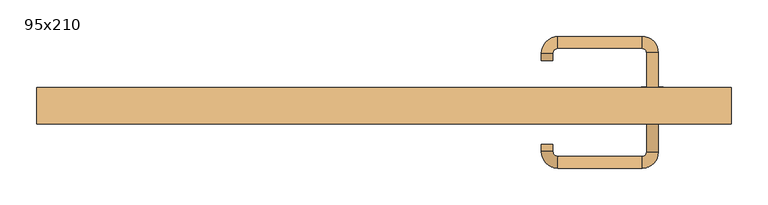
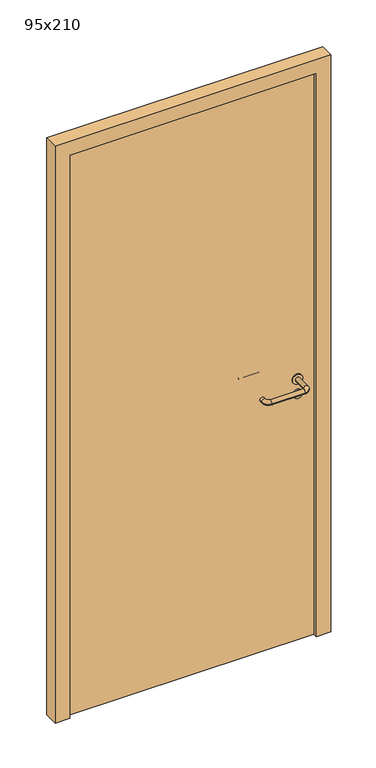
"""IFC4 building model written with IfcOpenShell, lengths in millimetres: door geometry, 95x210."""

from ifc_helpers import new_model, si_unit, point, frame, frame_2d, origin, origin_with_axes, place, context, project, spatial, polyline, circle_curve, ellipse_curve, trimmed, segment, composite_curve, outline, extrude, source, transform, mapped, element, save
from ifc_brep_helpers import plane_surface, cylinder_surface, revolved_surface, advanced_brep


def door_95x210_56ad0eff(model_context):
    return source(origin(), model_context, "Body", "SolidModel", [
        extrude(outline(composite_curve([segment(trimmed(circle_curve(frame_2d((897.3605726, 367.0)), 15.0), [point((897.3605726, 382.0))], [point((897.3605726, 352.0))], False, "CARTESIAN"), True, "CONTINUOUS"), segment(trimmed(circle_curve(frame_2d((897.3605726, 367.0)), 15.0), [point((897.3605726, 352.0))], [point((897.3605726, 382.0))], False, "CARTESIAN"), True, "CONTINUOUS")], self_intersect=False), holes=[composite_curve([segment(trimmed(circle_curve(frame_2d((892.5833211, 366.9398032)), 2.0), [point((892.5833211, 368.9398032))], [point((892.5833211, 364.9398032))], True, "CARTESIAN"), True, "CONTINUOUS"), segment(polyline([(892.5833211, 364.9398032), (902.5833211, 364.9398032)]), True, "CONTINUOUS"), segment(trimmed(circle_curve(frame_2d((902.5833211, 366.9398032)), 2.0), [point((902.5833211, 364.9398032))], [point((902.5833211, 368.9398032))], True, "CARTESIAN"), True, "CONTINUOUS"), segment(polyline([(902.5833211, 368.9398032), (892.5833211, 368.9398032)]), True, "CONTINUOUS")], self_intersect=False)]), frame((0.0, 33.65, 0.0), z_axis=(0.0, 1.0, 0.0), x_axis=(0.0, 0.0, 1.0)), (0.0, 0.0, 1.0), 6.35),
        extrude(outline(composite_curve([segment(trimmed(circle_curve(frame_2d((950.0, 367.0)), 17.526), [point((950.0, 384.526))], [point((950.0, 349.474))], False, "CARTESIAN"), True, "CONTINUOUS"), segment(trimmed(circle_curve(frame_2d((950.0, 367.0)), 17.526), [point((950.0, 349.474))], [point((950.0, 384.526))], False, "CARTESIAN"), True, "CONTINUOUS")], self_intersect=False)), frame((0.0, 36.825, 0.0), z_axis=(0.0, 1.0, 0.0), x_axis=(0.0, 0.0, 1.0)), (0.0, 0.0, 1.0), 3.175),
        advanced_brep(
        [(375.0, 40.0, 950.0), (359.0, 40.0, 950.0), (359.0, -13.0, 950.0), (375.0, -13.0, 950.0), (352.8578644, -19.1421356, 950.0), (352.8578644, -35.1421356, 950.0), (237.8578644, -19.1421356, 950.0), (237.8578644, -35.1421356, 950.0), (231.008622, -12.2928932, 950.0), (215.008622, -12.2928932, 950.0), (215.008622, -2.2928932, 950.0), (231.008622, -2.2928932, 950.0)],
        [
            (0, 1, circle_curve(frame((367.0, 40.0, 950.0), z_axis=(0.0, 1.0, 0.0), x_axis=(-1.0, 0.0, 0.0)), 8.0)),
            (1, 0, circle_curve(frame((367.0, 40.0, 950.0), z_axis=(0.0, 1.0, 0.0), x_axis=(-1.0, 0.0, 0.0)), 8.0)),
            (1, 2),
            (2, 3, circle_curve(frame((367.0, -13.0, 950.0), z_axis=(0.0, 1.0, 0.0), x_axis=(-1.0, 0.0, 0.0)), 8.0)),
            (3, 0),
            (3, 2, circle_curve(frame((367.0, -13.0, 950.0), z_axis=(0.0, 1.0, 0.0), x_axis=(-1.0, 0.0, 0.0)), 8.0)),
            (4, 5, circle_curve(frame((352.8578644, -27.1421356, 950.0), z_axis=(1.0, 0.0, 0.0), x_axis=(0.0, 1.0, 0.0)), 8.0)),
            (5, 3, circle_curve(frame((352.8578644, -13.0, 950.0), z_axis=(0.0, 0.0, 1.0), x_axis=(1.0, 0.0, 0.0)), 22.1421356)),
            (2, 4, circle_curve(frame((352.8578644, -13.0, 950.0), z_axis=(0.0, 0.0, -1.0), x_axis=(1.0, 0.0, 0.0)), 6.1421356)),
            (5, 4, circle_curve(frame((352.8578644, -27.1421356, 950.0), z_axis=(1.0, 0.0, 0.0), x_axis=(0.0, 1.0, 0.0)), 8.0)),
            (4, 6),
            (6, 7, circle_curve(frame((237.8578644, -27.1421356, 950.0), z_axis=(1.0, 0.0, 0.0), x_axis=(0.0, 1.0, 0.0)), 8.0)),
            (7, 5),
            (7, 6, circle_curve(frame((237.8578644, -27.1421356, 950.0), z_axis=(1.0, 0.0, 0.0), x_axis=(0.0, 1.0, 0.0)), 8.0)),
            (8, 9, circle_curve(frame((223.008622, -12.2928932, 950.0), z_axis=(0.0, -1.0, 0.0), x_axis=(1.0, 0.0, 0.0)), 8.0)),
            (9, 7, circle_curve(frame((237.8578644, -12.2928932, 950.0), z_axis=(0.0, 0.0, 1.0), x_axis=(0.0, -1.0, 0.0)), 22.8492424)),
            (6, 8, circle_curve(frame((237.8578644, -12.2928932, 950.0), z_axis=(0.0, 0.0, -1.0), x_axis=(0.0, -1.0, 0.0)), 6.8492424)),
            (9, 8, circle_curve(frame((223.008622, -12.2928932, 950.0), z_axis=(0.0, -1.0, 0.0), x_axis=(1.0, 0.0, 0.0)), 8.0)),
            (10, 11, circle_curve(frame((223.008622, -2.2928932, 950.0), z_axis=(0.0, 1.0, 0.0), x_axis=(1.0, 0.0, 0.0)), 8.0)),
            (11, 10, circle_curve(frame((223.008622, -2.2928932, 950.0), z_axis=(0.0, 1.0, 0.0), x_axis=(1.0, 0.0, 0.0)), 8.0)),
            (8, 11),
            (10, 9),
        ],
        [
            plane_surface(frame((367.0, 40.0, 170.0), z_axis=(0.0, 1.0, 0.0), x_axis=(0.0, 0.0, 1.0))),
            cylinder_surface(frame((367.0, 40.0, 950.0), z_axis=(0.0, 1.0, 0.0), x_axis=(-1.0, 0.0, 0.0)), 8.0),
            revolved_surface(trimmed(ellipse_curve(frame((367.0, -13.0, 950.0), z_axis=(0.0, -1.0, 0.0), x_axis=(-1.0, 0.0, 0.0)), 8.0, 8.0), [point((375.0, -13.0, 950.0))], [point((359.0, -13.0, 950.0))], True, "CARTESIAN"), (352.8578644, -13.0, 170.0), (0.0, 0.0, 1.0)),
            revolved_surface(trimmed(ellipse_curve(frame((367.0, -13.0, 950.0), z_axis=(0.0, -1.0, 0.0), x_axis=(-1.0, 0.0, 0.0)), 8.0, 8.0), [point((359.0, -13.0, 950.0))], [point((375.0, -13.0, 950.0))], True, "CARTESIAN"), (352.8578644, -13.0, 170.0), (0.0, 0.0, 1.0)),
            cylinder_surface(frame((352.8578644, -27.1421356, 950.0), z_axis=(1.0, 0.0, 0.0), x_axis=(0.0, 1.0, 0.0)), 8.0),
            revolved_surface(trimmed(ellipse_curve(frame((237.8578644, -27.1421356, 950.0), z_axis=(-1.0, 0.0, 0.0), x_axis=(0.0, 1.0, 0.0)), 8.0, 8.0), [point((237.8578644, -35.1421356, 950.0))], [point((237.8578644, -19.1421356, 950.0))], True, "CARTESIAN"), (237.8578644, -12.2928932, 170.0), (0.0, 0.0, 1.0)),
            revolved_surface(trimmed(ellipse_curve(frame((237.8578644, -27.1421356, 950.0), z_axis=(-1.0, 0.0, 0.0), x_axis=(0.0, 1.0, 0.0)), 8.0, 8.0), [point((237.8578644, -19.1421356, 950.0))], [point((237.8578644, -35.1421356, 950.0))], True, "CARTESIAN"), (237.8578644, -12.2928932, 170.0), (0.0, 0.0, 1.0)),
            plane_surface(frame((223.008622, -2.2928932, 170.0), z_axis=(0.0, 1.0, 0.0), x_axis=(0.0, 0.0, 1.0))),
            cylinder_surface(frame((223.008622, -12.2928932, 950.0), z_axis=(0.0, -1.0, 0.0), x_axis=(1.0, 0.0, 0.0)), 8.0),
        ],
        [
            (0, [[1, 2]]),
            (1, [[3, 4, 5, -2]]),
            (1, [[-5, 6, -3, -1]]),
            (2, [[7, 8, -4, 9]]),
            (3, [[10, -9, -6, -8]]),
            (4, [[11, 12, 13, -7]]),
            (4, [[-13, 14, -11, -10]]),
            (5, [[15, 16, -12, 17]]),
            (6, [[18, -17, -14, -16]]),
            (7, [[19, 20]]),
            (8, [[21, -19, 22, -15]]),
            (8, [[-22, -20, -21, -18]]),
        ],
    ),
        extrude(outline(composite_curve([segment(trimmed(circle_curve(frame_2d((0.0, -15.0)), 15.0), [point((0.0, -30.0))], [point((0.0, 0.0))], False, "CARTESIAN"), True, "CONTINUOUS"), segment(trimmed(circle_curve(frame_2d((0.0, -15.0)), 15.0), [point((0.0, 0.0))], [point((0.0, -30.0))], False, "CARTESIAN"), True, "CONTINUOUS")], self_intersect=False), holes=[composite_curve([segment(trimmed(circle_curve(frame_2d((4.7772515, -14.9398032)), 2.0), [point((4.7772515, -16.9398032))], [point((4.7772515, -12.9398032))], True, "CARTESIAN"), True, "CONTINUOUS"), segment(polyline([(4.7772515, -12.9398032), (-5.2227485, -12.9398032)]), True, "CONTINUOUS"), segment(trimmed(circle_curve(frame_2d((-5.2227485, -14.9398032)), 2.0), [point((-5.2227485, -12.9398032))], [point((-5.2227485, -16.9398032))], True, "CARTESIAN"), True, "CONTINUOUS"), segment(polyline([(-5.2227485, -16.9398032), (4.7772515, -16.9398032)]), True, "CONTINUOUS")], self_intersect=False)]), frame((352.0, 70.0, 897.3605726), z_axis=(1.8870575173328306e-12, 1.0, 0.0), x_axis=(0.0, 0.0, -1.0)), (0.0, 0.0, 1.0), 6.35),
        extrude(outline(composite_curve([segment(trimmed(circle_curve(frame_2d((0.0, -17.526)), 17.526), [point((0.0, -35.052))], [point((0.0, 0.0))], False, "CARTESIAN"), True, "CONTINUOUS"), segment(trimmed(circle_curve(frame_2d((0.0, -17.526)), 17.526), [point((0.0, 0.0))], [point((0.0, -35.052))], False, "CARTESIAN"), True, "CONTINUOUS")], self_intersect=False)), frame((349.474, 70.0, 950.0), z_axis=(1.8870575173328306e-12, 1.0, 0.0), x_axis=(0.0, 0.0, -1.0)), (0.0, 0.0, 1.0), 3.175),
        advanced_brep(
        [(375.0, 70.0, 950.0), (359.0, 70.0, 950.0), (375.0, 123.0, 950.0), (359.0, 123.0, 950.0), (352.8578644, 129.1421356, 950.0), (352.8578644, 145.1421356, 950.0), (237.8578644, 145.1421356, 950.0), (237.8578644, 129.1421356, 950.0), (231.008622, 122.2928932, 950.0), (215.008622, 122.2928932, 950.0), (215.008622, 112.2928932, 950.0), (231.008622, 112.2928932, 950.0)],
        [
            (0, 1, circle_curve(frame((367.0, 70.0, 950.0), z_axis=(-1.888672253512351e-12, -1.0, 0.0), x_axis=(-1.0, 1.888672253512351e-12, 0.0)), 8.0)),
            (1, 0, circle_curve(frame((367.0, 70.0, 950.0), z_axis=(-1.888672253512351e-12, -1.0, 0.0), x_axis=(-1.0, 1.888672253512351e-12, 0.0)), 8.0)),
            (0, 2),
            (2, 3, circle_curve(frame((367.0, 123.0, 950.0), z_axis=(-1.888672253512351e-12, -1.0, 0.0), x_axis=(-1.0, 1.888672253512351e-12, 0.0)), 8.0)),
            (3, 1),
            (3, 2, circle_curve(frame((367.0, 123.0, 950.0), z_axis=(-1.888672253512351e-12, -1.0, 0.0), x_axis=(-1.0, 1.888672253512351e-12, 0.0)), 8.0)),
            (4, 3, circle_curve(frame((352.8578644, 123.0, 950.0), z_axis=(0.0, 0.0, -1.0), x_axis=(1.0, -1.880717803715015e-12, 0.0)), 6.1421356)),
            (2, 5, circle_curve(frame((352.8578644, 123.0, 950.0), z_axis=(0.0, 0.0, 1.0), x_axis=(1.0, -1.880717803715015e-12, 0.0)), 22.1421356)),
            (5, 4, circle_curve(frame((352.8578644, 137.1421356, 950.0), z_axis=(1.0, -1.913702061528922e-12, 0.0), x_axis=(-1.913702061528922e-12, -1.0, 0.0)), 8.0)),
            (4, 5, circle_curve(frame((352.8578644, 137.1421356, 950.0), z_axis=(1.0, -1.913702061528922e-12, 0.0), x_axis=(-1.913702061528922e-12, -1.0, 0.0)), 8.0)),
            (5, 6),
            (6, 7, circle_curve(frame((237.8578644, 137.1421356, 950.0), z_axis=(1.0, -1.913719828541269e-12, 0.0), x_axis=(-1.913719828541269e-12, -1.0, 0.0)), 8.0)),
            (7, 4),
            (7, 6, circle_curve(frame((237.8578644, 137.1421356, 950.0), z_axis=(1.0, -1.913719828541269e-12, 0.0), x_axis=(-1.913719828541269e-12, -1.0, 0.0)), 8.0)),
            (8, 7, circle_curve(frame((237.8578644, 122.2928932, 950.0), z_axis=(0.0, 0.0, -1.0), x_axis=(1.9120873253494017e-12, 1.0, 0.0)), 6.8492424)),
            (6, 9, circle_curve(frame((237.8578644, 122.2928932, 950.0), z_axis=(0.0, 0.0, 1.0), x_axis=(1.9120873253494017e-12, 1.0, 0.0)), 22.8492424)),
            (9, 8, circle_curve(frame((223.008622, 122.2928932, 950.0), z_axis=(1.890670654956676e-12, 1.0, 0.0), x_axis=(1.0, -1.890670654956676e-12, 0.0)), 8.0)),
            (8, 9, circle_curve(frame((223.008622, 122.2928932, 950.0), z_axis=(1.890226565746826e-12, 1.0, 0.0), x_axis=(1.0, -1.890226565746826e-12, 0.0)), 8.0)),
            (10, 11, circle_curve(frame((223.008622, 112.2928932, 950.0), z_axis=(-1.8903642334018795e-12, -1.0, 0.0), x_axis=(1.0, -1.8903642334018795e-12, 0.0)), 8.0)),
            (11, 10, circle_curve(frame((223.008622, 112.2928932, 950.0), z_axis=(-1.8903642334018795e-12, -1.0, 0.0), x_axis=(1.0, -1.8903642334018795e-12, 0.0)), 8.0)),
            (9, 10),
            (11, 8),
        ],
        [
            plane_surface(frame((367.0, 70.0, 170.0), z_axis=(-1.8870575173328306e-12, -1.0, 0.0), x_axis=(0.0, 0.0, 1.0))),
            cylinder_surface(frame((367.0, 70.0, 950.0), z_axis=(-1.888672253512351e-12, -1.0, 0.0), x_axis=(-1.0, 1.888672253512351e-12, 0.0)), 8.0),
            revolved_surface(trimmed(ellipse_curve(frame((367.0, 123.0, 950.0), z_axis=(-1.8823325398945356e-12, -1.0, 0.0), x_axis=(-1.0, 1.8823325398945356e-12, 0.0)), 8.0, 8.0), [point((375.0, 123.0, 950.0))], [point((359.0, 123.0, 950.0))], True, "CARTESIAN"), (352.8578644, 123.0, 170.0), (0.0, 0.0, 1.0)),
            revolved_surface(trimmed(ellipse_curve(frame((367.0, 123.0, 950.0), z_axis=(-1.8823325398945356e-12, -1.0, 0.0), x_axis=(-1.0, 1.8823325398945356e-12, 0.0)), 8.0, 8.0), [point((359.0, 123.0, 950.0))], [point((375.0, 123.0, 950.0))], True, "CARTESIAN"), (352.8578644, 123.0, 170.0), (0.0, 0.0, 1.0)),
            cylinder_surface(frame((352.8578644, 137.1421356, 950.0), z_axis=(1.0, -1.913719828541269e-12, 0.0), x_axis=(-1.913719828541269e-12, -1.0, 0.0)), 8.0),
            revolved_surface(trimmed(ellipse_curve(frame((237.8578644, 137.1421356, 950.0), z_axis=(1.0, -1.913702061528922e-12, 0.0), x_axis=(-1.913702061528922e-12, -1.0, 0.0)), 8.0, 8.0), [point((237.8578644, 145.1421356, 950.0))], [point((237.8578644, 129.1421356, 950.0))], True, "CARTESIAN"), (237.8578644, 122.2928932, 170.0), (0.0, 0.0, 1.0)),
            revolved_surface(trimmed(ellipse_curve(frame((237.8578644, 137.1421356, 950.0), z_axis=(1.0, -1.913702061528922e-12, 0.0), x_axis=(-1.913702061528922e-12, -1.0, 0.0)), 8.0, 8.0), [point((237.8578644, 129.1421356, 950.0))], [point((237.8578644, 145.1421356, 950.0))], True, "CARTESIAN"), (237.8578644, 122.2928932, 170.0), (0.0, 0.0, 1.0)),
            plane_surface(frame((223.008622, 112.2928932, 170.0), z_axis=(-1.8887494972223595e-12, -1.0, 0.0), x_axis=(0.0, 0.0, 1.0))),
            cylinder_surface(frame((223.008622, 122.2928932, 950.0), z_axis=(1.8903642334018795e-12, 1.0, 0.0), x_axis=(1.0, -1.8903642334018795e-12, 0.0)), 8.0),
        ],
        [
            (0, [[1, 2]]),
            (1, [[-1, 3, 4, 5]]),
            (1, [[-2, -5, 6, -3]]),
            (2, [[7, -4, 8, 9]]),
            (3, [[-8, -6, -7, 10]]),
            (4, [[-9, 11, 12, 13]]),
            (4, [[-10, -13, 14, -11]]),
            (5, [[15, -12, 16, 17]]),
            (6, [[-16, -14, -15, 18]]),
            (7, [[19, 20]]),
            (8, [[-17, 21, -20, 22]]),
            (8, [[-18, -22, -19, -21]]),
        ],
    ),
        extrude(outline(polyline([(2050.0, 425.0), (0.0, 425.0), (0.0, 475.0), (2100.0, 475.0), (2100.0, -475.0), (0.0, -475.0), (0.0, -425.0), (2050.0, -425.0), (2050.0, 425.0)])), frame((0.0, 25.0, 0.0), z_axis=(0.0, 1.0, 0.0), x_axis=(0.0, 0.0, 1.0)), (0.0, 0.0, 1.0), 50.0),
        extrude(outline(polyline([(-425.0, 70.0), (425.0, 70.0), (425.0, 40.0), (-425.0, 40.0), (-425.0, 70.0)])), origin_with_axes(), (0.0, 0.0, 1.0), 2050.0),
    ])


if __name__ == "__main__":
    model = new_model("IFC4")
    model_context = context("Model", 3, world=origin())
    ifc_project = project(units=[si_unit("LENGTHUNIT", "METRE", prefix="MILLI")], contexts=[model_context])
    site = spatial("IfcSite", under=ifc_project)
    building = spatial("IfcBuilding", under=site)
    placement = place(None, origin())
    door_95x210_shape = door_95x210_56ad0eff(model_context)
    element("IfcDoor", 1, ObjectType="95x210", at=placement, inside=building, context=model_context, shape_type="MappedRepresentation", body=[
        mapped(door_95x210_shape, transform((0.0, 0.0, 0.0), x_axis=(1.0, 0.0, 0.0), y_axis=(0.0, 1.0, 0.0), z_axis=(0.0, 0.0, 1.0))),
    ])
    save(model, "model.ifc")
